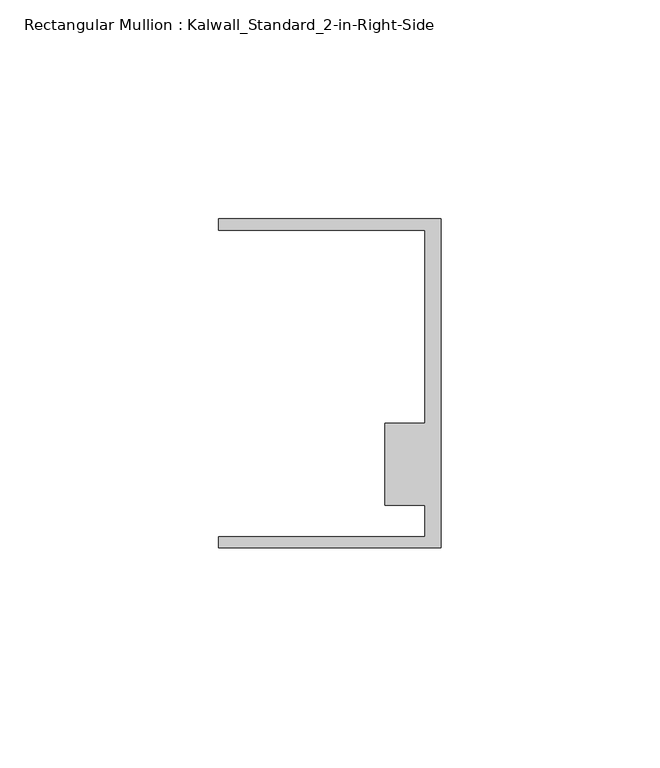
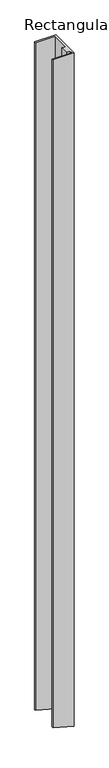
"""IFC4 building model written with IfcOpenShell, lengths in millimetres: member geometry, Rectangular Mullion : Kalwall_Standard_2-in-Right-Side."""

from ifc_helpers import new_model, si_unit, origin, place, context, project, spatial, faceted_brep, source, transform, mapped, element, save


def rectangular_mullion_kalwall_standard_2_in_right_side_e5355b88(model_context):
    return source(origin(), model_context, "Body", "Brep", [
        faceted_brep([(0.0, -37.5776386, 0.0), (0.0, 37.5023614, 0.0), (-50.8, 37.5023614, 0.0), (-50.8, 34.9623614, 0.0), (-3.7084, 34.9623614, 0.0), (-3.7084, -9.1879886, 0.0), (-12.8272539, -9.1879886, 0.0), (-12.8272539, -27.8888568, 0.0), (-3.7084, -27.8888568, 0.0), (-3.7084, -35.0376386, 0.0), (-50.8, -35.0376386, 0.0), (-50.8, -37.5776386, 0.0), (0.0, -37.5776386, -1701.9562871), (0.0, 37.5023614, -1701.9562871), (-50.8, 37.5023614, -1687.8556466), (-50.8, 34.9623614, -1687.8556466), (-3.7084, 34.9623614, -1700.9269403), (-3.7084, -9.1879886, -1700.9269403), (-12.8272539, -9.1879886, -1698.3958048), (-12.8272539, -27.8888568, -1698.3958048), (-3.7084, -27.8888568, -1700.9269403), (-3.7084, -35.0376386, -1700.9269403), (-50.8, -35.0376386, -1687.8556466), (-50.8, -37.5776386, -1687.8556466)], [[[0, 1, 2, 3, 4, 5, 6, 7, 8, 9, 10, 11]], [[1, 0, 12, 13]], [[2, 1, 13, 14]], [[3, 2, 14, 15]], [[4, 3, 15, 16]], [[5, 4, 16, 17]], [[6, 5, 17, 18]], [[7, 6, 18, 19]], [[8, 7, 19, 20]], [[9, 8, 20, 21]], [[10, 9, 21, 22]], [[11, 10, 22, 23]], [[0, 11, 23, 12]], [[12, 23, 22, 21, 20, 19, 18, 17, 16, 15, 14, 13]]]),
    ])


if __name__ == "__main__":
    model = new_model("IFC4")
    model_context = context("Model", 3, world=origin())
    ifc_project = project(units=[si_unit("LENGTHUNIT", "METRE", prefix="MILLI")], contexts=[model_context])
    site = spatial("IfcSite", under=ifc_project)
    building = spatial("IfcBuilding", under=site)
    placement = place(None, origin())
    rectangular_mullion_kalwall_standard_2_in_right_side_shape = rectangular_mullion_kalwall_standard_2_in_right_side_e5355b88(model_context)
    element("IfcMember", 1, ObjectType="Rectangular Mullion : Kalwall_Standard_2-in-Right-Side", at=placement, inside=building, context=model_context, shape_type="MappedRepresentation", body=[
        mapped(rectangular_mullion_kalwall_standard_2_in_right_side_shape, transform((0.0, 0.0, 0.0), x_axis=(1.0, 0.0, 0.0), y_axis=(0.0, 1.0, 0.0), z_axis=(0.0, 0.0, 1.0))),
    ])
    save(model, "model.ifc")
